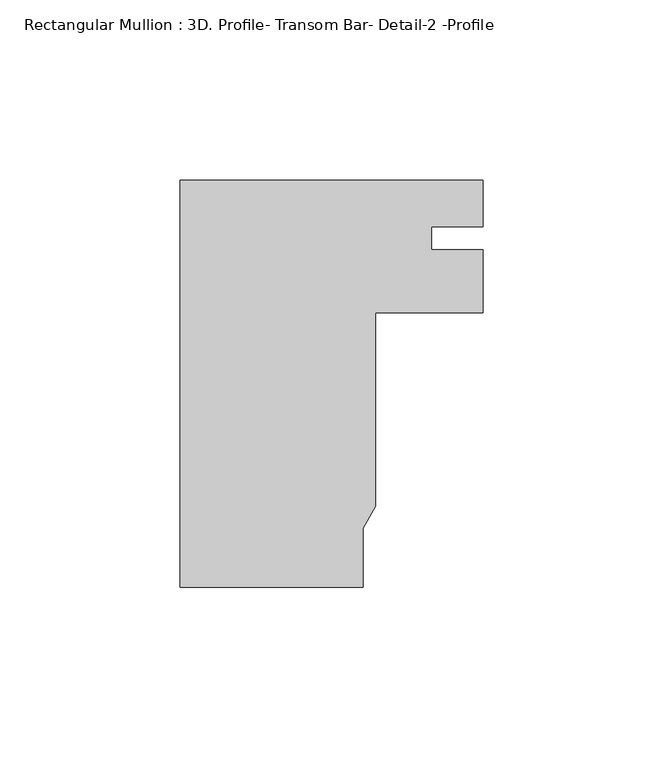
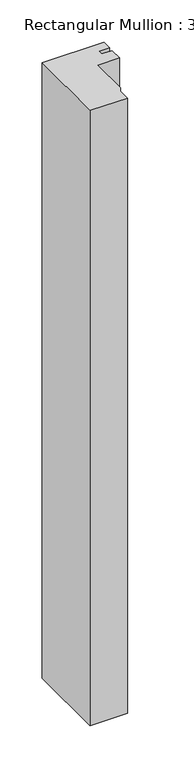
"""IFC4 building model written with IfcOpenShell, lengths in millimetres: member geometry, Rectangular Mullion : 3D. Profile- Transom Bar- Detail-2 -Profile."""

from ifc_helpers import new_model, si_unit, frame, origin, place, context, project, spatial, polyline, outline, extrude, source, transform, mapped, element, save


def rectangular_mullion_3d_profile_transom_bar_detail_2_profile_2a5be5e7(model_context):
    return source(origin(), model_context, "Body", "SweptSolid", [
        extrude(outline(polyline([(58.7362808, 60.8779027), (44.45, 60.8779027), (44.45, 54.5279027), (58.7375, 54.5279027), (58.7375, 37.0584932), (28.9005843, 37.0584932), (28.9005843, -16.6749647), (25.4, -22.7519791), (25.4, -39.1771188), (-25.4, -39.1771188), (-25.4, 73.9036813), (58.7362808, 73.9036813), (58.7362808, 60.8779027)])), frame((0.0, 0.0, -886.717578), z_axis=(0.0, 0.0, 1.0), x_axis=(1.0, 0.0, 0.0)), (0.0, 0.0, 1.0), 886.717578),
    ])


if __name__ == "__main__":
    model = new_model("IFC4")
    model_context = context("Model", 3, world=origin())
    ifc_project = project(units=[si_unit("LENGTHUNIT", "METRE", prefix="MILLI")], contexts=[model_context])
    site = spatial("IfcSite", under=ifc_project)
    building = spatial("IfcBuilding", under=site)
    placement = place(None, origin())
    rectangular_mullion_3d_profile_transom_bar_detail_2_profile_shape = rectangular_mullion_3d_profile_transom_bar_detail_2_profile_2a5be5e7(model_context)
    element("IfcMember", 1, ObjectType="Rectangular Mullion : 3D. Profile- Transom Bar- Detail-2 -Profile", at=placement, inside=building, context=model_context, shape_type="MappedRepresentation", body=[
        mapped(rectangular_mullion_3d_profile_transom_bar_detail_2_profile_shape, transform((0.0, 0.0, 0.0), x_axis=(1.0, 0.0, 0.0), y_axis=(0.0, 1.0, 0.0), z_axis=(0.0, 0.0, 1.0))),
    ])
    save(model, "model.ifc")
